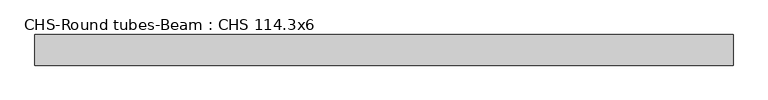
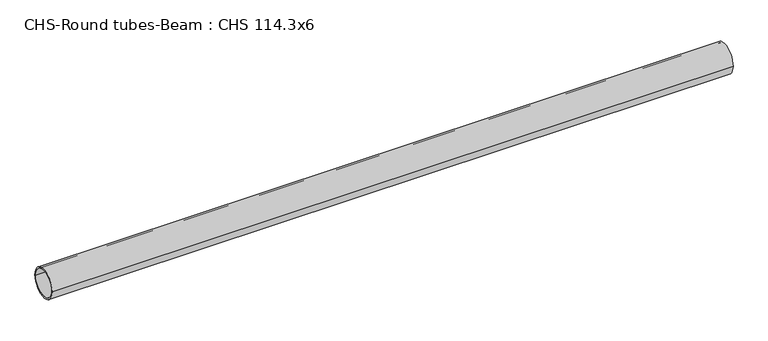
"""IFC4 building model written with IfcOpenShell, lengths in millimetres: beam geometry, CHS-Round tubes-Beam : CHS 114.3x6."""

from ifc_helpers import new_model, si_unit, point, frame, origin, origin_2d, place, context, project, spatial, circle_curve, trimmed, segment, composite_curve, outline, extrude, source, transform, mapped, element, save


def chs_round_tubes_beam_chs_114_3x6_b9db717d(model_context):
    return source(origin(), model_context, "Body", "SweptSolid", [
        extrude(outline(composite_curve([segment(trimmed(circle_curve(origin_2d(), 57.15), [point((57.15, 0.0))], [point((-57.15, 0.0))], False, "CARTESIAN"), True, "CONTINUOUS"), segment(trimmed(circle_curve(origin_2d(), 57.15), [point((-57.15, 0.0))], [point((57.15, 0.0))], False, "CARTESIAN"), True, "CONTINUOUS")], self_intersect=False), holes=[composite_curve([segment(trimmed(circle_curve(origin_2d(), 51.15), [point((51.15, 0.0))], [point((-51.15, 0.0))], True, "CARTESIAN"), True, "CONTINUOUS"), segment(trimmed(circle_curve(origin_2d(), 51.15), [point((-51.15, 0.0))], [point((51.15, 0.0))], True, "CARTESIAN"), True, "CONTINUOUS")], self_intersect=False)]), frame((-1290.0555684, 0.0, 0.0), z_axis=(1.0, 0.0, 0.0), x_axis=(0.0, 1.0, 0.0)), (0.0, 0.0, 1.0), 2608.2349576),
    ])


if __name__ == "__main__":
    model = new_model("IFC4")
    model_context = context("Model", 3, world=origin())
    ifc_project = project(units=[si_unit("LENGTHUNIT", "METRE", prefix="MILLI")], contexts=[model_context])
    site = spatial("IfcSite", under=ifc_project)
    building = spatial("IfcBuilding", under=site)
    placement = place(None, origin())
    chs_round_tubes_beam_chs_114_3x6_shape = chs_round_tubes_beam_chs_114_3x6_b9db717d(model_context)
    element("IfcBeam", 1, ObjectType="CHS-Round tubes-Beam : CHS 114.3x6", at=placement, inside=building, context=model_context, shape_type="MappedRepresentation", body=[
        mapped(chs_round_tubes_beam_chs_114_3x6_shape, transform((0.0, 0.0, 0.0), x_axis=(1.0, 0.0, 0.0), y_axis=(0.0, 1.0, 0.0), z_axis=(0.0, 0.0, 1.0))),
    ])
    save(model, "model.ifc")
